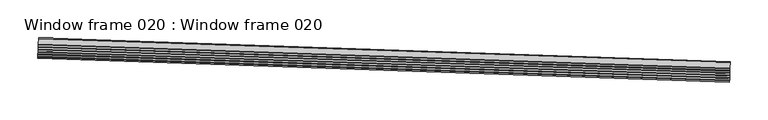
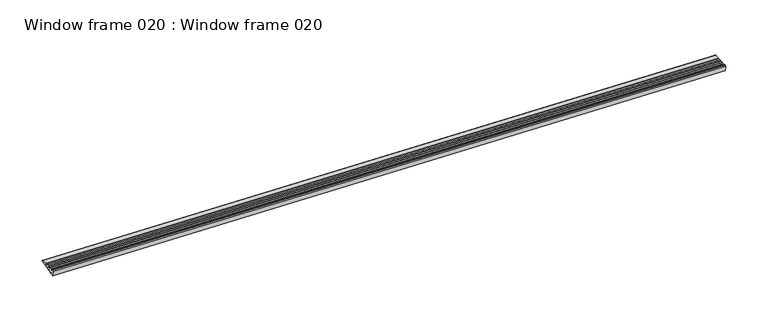
"""IFC4 building model written with IfcOpenShell, lengths in millimetres: proxy geometry, Window frame 020 : Window frame 020."""

from ifc_helpers import new_model, si_unit, point, frame, frame_2d, origin, place, context, project, spatial, polyline, circle_curve, trimmed, segment, composite_curve, outline, extrude, source, transform, mapped, element, save


def window_frame_020_window_frame_020_eeb022b0(model_context):
    return source(origin(), model_context, "Body", "SweptSolid", [
        extrude(outline(composite_curve([segment(polyline([(-1.6549953, 1e-07), (0.0, 0.0), (0.9529326, -2.3472227), (1.0740913, 0.0), (3.2399441, 0.0), (4.1279324, -2.0669262), (4.2346232, 0.0), (6.4798882, 0.0), (7.3029325, -1.7866296), (7.3951547, 1e-07), (9.7198322, 2e-07), (10.4779325, -1.5063331), (10.5556865, 1e-07), (12.9597766, 2e-07), (13.6529323, -1.2260367), (13.716218, 1e-07), (16.1997206, 2e-07), (16.8279324, -0.9457401), (16.8767497, 3e-07), (24.2481127, 3e-07)]), True, "CONTINUOUS"), segment(trimmed(circle_curve(frame_2d((24.2481127, -1.2989796)), 1.2989798), [point((24.2481127, 3e-07))], [point((24.475693, -2.577868))], False, "CARTESIAN"), True, "CONTINUOUS"), segment(polyline([(24.475693, -2.577868), (17.218343, -3.8693254), (16.603702, -2.9821567), (16.5517855, -3.9879403), (14.1066952, -4.4230481), (13.4287019, -3.2624533), (13.3619534, -4.5555762), (10.9950475, -4.9767711), (10.2537021, -3.5427497), (10.1721216, -5.123212), (7.8833999, -5.5304938), (7.078702, -3.8230462), (6.9822898, -5.6908477), (4.7717521, -6.0842165), (3.9037019, -4.1033427), (3.7924578, -6.2584836), (1.6601044, -6.6379394), (0.7287018, -4.3836392), (0.6026261, -6.8261194), (-1.0267716, -7.1160733), (-1.6549953, 1e-07)]), True, "CONTINUOUS")], self_intersect=False)), frame((34355.1207825, -15463.8546046, 2879.8742151), z_axis=(-0.9994149479167368, 0.03420178183349793, 0.0), x_axis=(0.03367331876841617, 0.9839726563697194, 0.1751111621794534)), (0.0, 0.0, 1.0), 914.4),
    ])


if __name__ == "__main__":
    model = new_model("IFC4")
    model_context = context("Model", 3, world=origin())
    ifc_project = project(units=[si_unit("LENGTHUNIT", "METRE", prefix="MILLI")], contexts=[model_context])
    site = spatial("IfcSite", under=ifc_project)
    building = spatial("IfcBuilding", under=site)
    placement = place(None, origin())
    window_frame_020_window_frame_020_shape = window_frame_020_window_frame_020_eeb022b0(model_context)
    element("IfcBuildingElementProxy", 1, Name="Window frame 020 : Window frame 020", ObjectType="Window frame 020 : Window frame 020", at=placement, inside=building, context=model_context, shape_type="MappedRepresentation", body=[
        mapped(window_frame_020_window_frame_020_shape, transform((0.0, 0.0, 0.0), x_axis=(1.0, 0.0, 0.0), y_axis=(0.0, 1.0, 0.0), z_axis=(0.0, 0.0, 1.0))),
    ])
    save(model, "model.ifc")
